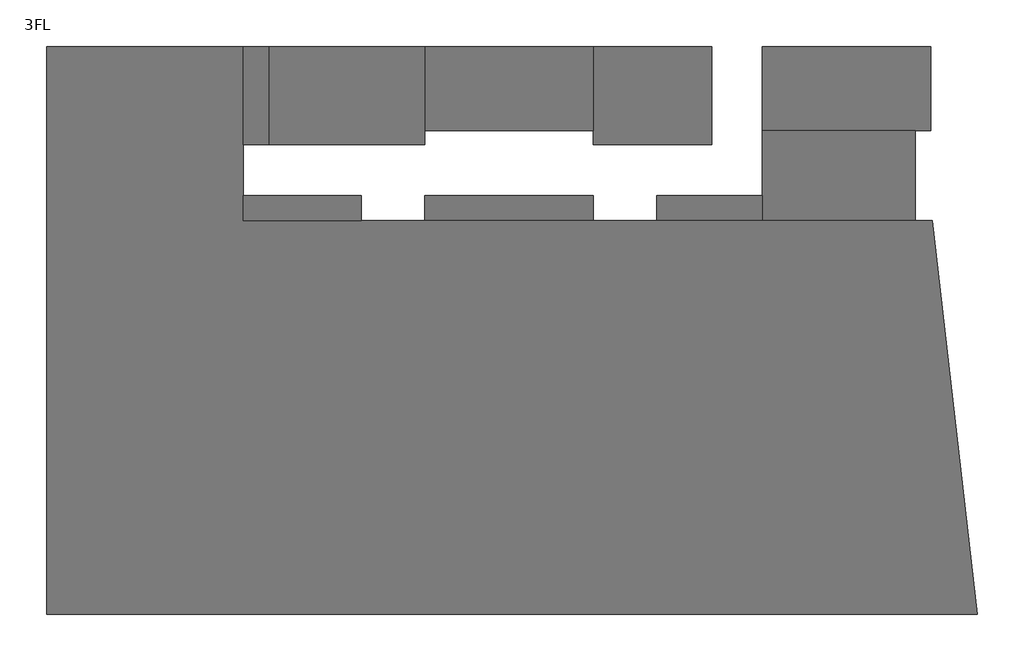
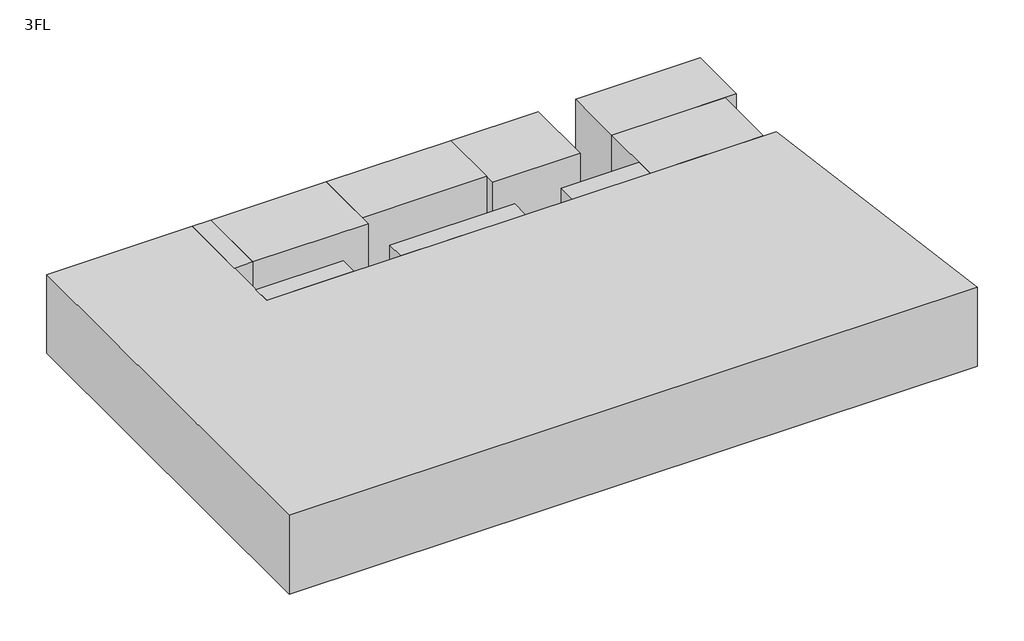
# One storey: 10 proxies.
"""IFC4 building model written with IfcOpenShell, lengths in millimetres."""

from ifc_helpers import new_model, si_unit, frame, origin, place, context, project, spatial, polyline, outline, extrude, element, save

model = new_model("IFC4")

# Units and contexts
model_context = context("Model", 3, world=origin())
ifc_project = project(units=[si_unit("LENGTHUNIT", "METRE", prefix="MILLI")], contexts=[model_context])

# Site, building, storey
site = spatial("IfcSite", under=ifc_project)
building = spatial("IfcBuilding", under=site)
storey = spatial("IfcBuildingStorey", under=building, Name="3FL", Elevation=8600.0)

# Proxies
placement = place(None, origin())
element("IfcBuildingElementProxy", 1, Name="Mass", at=placement, inside=storey, context=model_context, shape_type="SweptSolid", body=[
    extrude(outline(polyline([(-28845.9784025, -3550.3131013), (-28845.9784025, 16649.6868987), (-21845.9784025, 16649.6868987), (-21845.9784025, 10449.6868987), (2661.9595949, 10449.6868987), (4261.9595949, -3550.3131013), (-28845.9784025, -3550.3131013)])), frame((0.0, 0.0, 8600.0), z_axis=(0.0, 0.0, 1.0), x_axis=(1.0, 0.0, 0.0)), (0.0, 0.0, 1.0), 4000.0),
])
element("IfcBuildingElementProxy", 2, Name="Mass", at=placement, inside=storey, context=model_context, shape_type="SweptSolid", body=[
    extrude(outline(polyline([(-9395.9784025, 16649.6868987), (-9395.9784025, 13649.6868987), (-15395.9784025, 13649.6868987), (-15395.9784025, 16649.6868987), (-9395.9784025, 16649.6868987)])), frame((0.0, 0.0, 8600.0), z_axis=(0.0, 0.0, 1.0), x_axis=(1.0, 0.0, 0.0)), (0.0, 0.0, 1.0), 4000.0),
])
element("IfcBuildingElementProxy", 3, Name="Mass", at=placement, inside=storey, context=model_context, shape_type="SweptSolid", body=[
    extrude(outline(polyline([(-15395.9784025, 16649.6868987), (-15395.9784025, 13149.6868987), (-20945.9784025, 13149.6868987), (-20945.9784025, 16649.6868987), (-15395.9784025, 16649.6868987)])), frame((0.0, 0.0, 8600.0), z_axis=(0.0, 0.0, 1.0), x_axis=(1.0, 0.0, 0.0)), (0.0, 0.0, 1.0), 4000.0),
])
element("IfcBuildingElementProxy", 4, Name="Mass", at=placement, inside=storey, context=model_context, shape_type="SweptSolid", body=[
    extrude(outline(polyline([(2604.0215975, 16649.6868987), (2604.0215975, 13649.6868987), (-3395.9784025, 13649.6868987), (-3395.9784025, 16649.6868987), (2604.0215975, 16649.6868987)])), frame((0.0, 0.0, 8600.0), z_axis=(0.0, 0.0, 1.0), x_axis=(1.0, 0.0, 0.0)), (0.0, 0.0, 1.0), 4000.0),
])
element("IfcBuildingElementProxy", 5, Name="Mass", at=placement, inside=storey, context=model_context, shape_type="SweptSolid", body=[
    extrude(outline(polyline([(-5195.9784025, 16649.6868987), (-5195.9784025, 13149.6868987), (-9395.9784025, 13149.6868987), (-9395.9784025, 16649.6868987), (-5195.9784025, 16649.6868987)])), frame((0.0, 0.0, 8600.0), z_axis=(0.0, 0.0, 1.0), x_axis=(1.0, 0.0, 0.0)), (0.0, 0.0, 1.0), 4000.0),
])
element("IfcBuildingElementProxy", 6, Name="Mass", at=placement, inside=storey, context=model_context, shape_type="SweptSolid", body=[
    extrude(outline(polyline([(2054.0215975, 13649.6868987), (2054.0215975, 10449.6868987), (-3395.9784025, 10449.6868987), (-3395.9784025, 13649.6868987), (2054.0215975, 13649.6868987)])), frame((0.0, 0.0, 8600.0), z_axis=(0.0, 0.0, 1.0), x_axis=(1.0, 0.0, 0.0)), (0.0, 0.0, 1.0), 4000.0),
])
element("IfcBuildingElementProxy", 7, Name="Mass", at=placement, inside=storey, context=model_context, shape_type="SweptSolid", body=[
    extrude(outline(polyline([(-20945.9784025, 16649.6868987), (-20945.9784025, 13149.6868987), (-21845.9784025, 13149.6868987), (-21845.9784025, 16649.6868987), (-20945.9784025, 16649.6868987)])), frame((0.0, 0.0, 8600.0), z_axis=(0.0, 0.0, 1.0), x_axis=(1.0, 0.0, 0.0)), (0.0, 0.0, 1.0), 4000.0),
])
element("IfcBuildingElementProxy", 8, Name="Mass", at=placement, inside=storey, context=model_context, shape_type="SweptSolid", body=[
    extrude(outline(polyline([(-17645.9784025, 11349.6868987), (-17645.9784025, 10449.6868987), (-21845.9784025, 10449.6868987), (-21845.9784025, 11349.6868987), (-17645.9784025, 11349.6868987)])), frame((0.0, 0.0, 8600.0), z_axis=(0.0, 0.0, 1.0), x_axis=(1.0, 0.0, 0.0)), (0.0, 0.0, 1.0), 4000.0),
])
element("IfcBuildingElementProxy", 9, Name="Mass", at=placement, inside=storey, context=model_context, shape_type="SweptSolid", body=[
    extrude(outline(polyline([(-9395.9784025, 11349.6868987), (-9395.9784025, 10449.6868987), (-15395.9784025, 10449.6868987), (-15395.9784025, 11349.6868987), (-9395.9784025, 11349.6868987)])), frame((0.0, 0.0, 8600.0), z_axis=(0.0, 0.0, 1.0), x_axis=(1.0, 0.0, 0.0)), (0.0, 0.0, 1.0), 4000.0),
])
element("IfcBuildingElementProxy", 10, Name="Mass", at=placement, inside=storey, context=model_context, shape_type="SweptSolid", body=[
    extrude(outline(polyline([(-3395.9784025, 11349.6868987), (-3395.9784025, 10449.6868987), (-7145.9784025, 10449.6868987), (-7145.9784025, 11349.6868987), (-3395.9784025, 11349.6868987)])), frame((0.0, 0.0, 8600.0), z_axis=(0.0, 0.0, 1.0), x_axis=(1.0, 0.0, 0.0)), (0.0, 0.0, 1.0), 4000.0),
])

save(model, "model.ifc")
